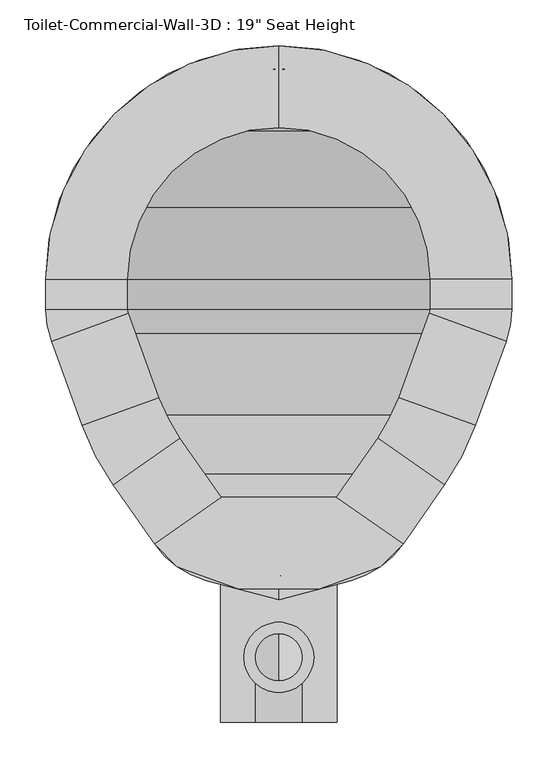
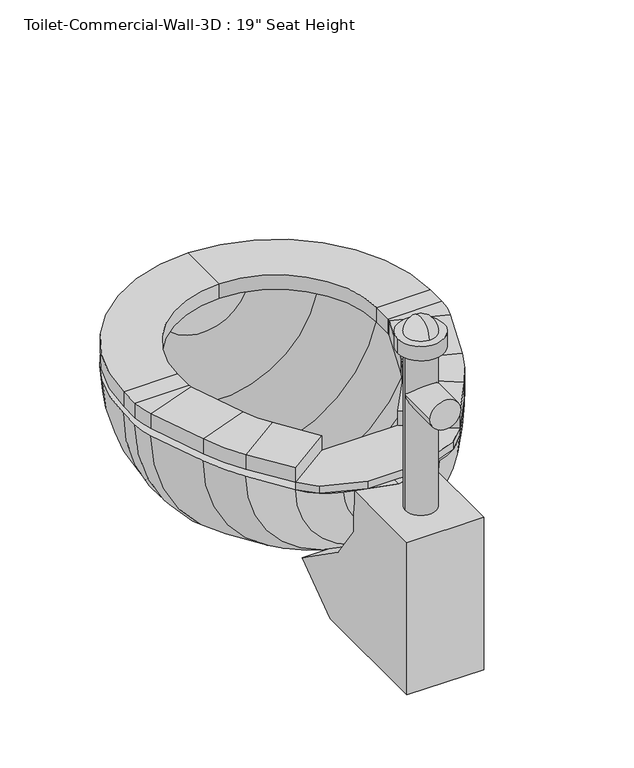
"""IFC4 building model written with IfcOpenShell, lengths in millimetres: flow terminal geometry."""

from ifc_helpers import new_model, si_unit, point, frame, frame_2d, origin, place, context, project, spatial, polyline, circle_curve, ellipse_curve, trimmed, segment, composite_curve, outline, extrude, source, transform, mapped, element, save
from ifc_brep_helpers import plane_surface, cylinder_surface, revolved_surface, advanced_brep


def flow_terminal_d9e5279d(model_context):
    return source(origin(), model_context, "Body", "SolidModel", [
        extrude(outline(polyline([(467.7541169, 341.8722495), (540.5767337, 290.8813043), (515.6262519, 265.9308226), (449.563909, 241.8860961), (360.2423986, 241.8860961), (294.1800557, 265.9308226), (269.229574, 290.8813043), (342.0521907, 341.8722495), (467.7541169, 341.8722495)])), frame((0.0, 0.0, 444.5), z_axis=(0.0, 0.0, 1.0), x_axis=(1.0, 0.0, 0.0)), (0.0, 0.0, 1.0), 12.7),
        advanced_brep(
        [(467.7541169, 341.8722495, 457.2), (540.5767337, 290.8813043, 457.2), (540.5767337, 290.8813043, 482.6), (467.7541169, 341.8722495, 482.6), (512.8583992, 406.2878403, 457.2), (585.6810159, 355.2968951, 457.2), (585.6810159, 355.2968951, 482.6), (512.8583992, 406.2878403, 482.6), (619.360053, 419.9937234, 457.2), (535.821379, 450.3993141, 457.2), (619.360053, 419.9937234, 482.6), (535.821379, 450.3993141, 482.6), (569.2372501, 542.2086654, 457.2), (652.7759241, 511.8030747, 457.2), (652.7759241, 511.8030747, 482.6), (569.2372501, 542.2086654, 482.6), (658.9031538, 546.5523212, 457.2), (570.0031538, 546.5523212, 457.2), (658.9031538, 546.5523212, 482.6), (570.0031538, 546.5523212, 482.6), (570.0031538, 579.4375, 457.2), (658.9031538, 579.4375, 457.2), (658.9031538, 579.4375, 482.6), (570.0031538, 579.4375, 482.6), (404.9031538, 833.4375, 457.2), (404.9031538, 744.5375, 457.2), (404.9031538, 833.4375, 482.6), (404.9031538, 744.5375, 482.6), (150.9031538, 579.4375, 457.2), (239.8031538, 579.4375, 457.2), (150.9031538, 579.4375, 482.6), (239.8031538, 579.4375, 482.6), (239.8031538, 546.5523212, 457.2), (150.9031538, 546.5523212, 457.2), (150.9031538, 546.5523212, 482.6), (239.8031538, 546.5523212, 482.6), (157.0303835, 511.8030747, 457.2), (240.5690575, 542.2086654, 457.2), (157.0303835, 511.8030747, 482.6), (240.5690575, 542.2086654, 482.6), (273.9849286, 450.3993141, 457.2), (190.4462546, 419.9937234, 457.2), (190.4462546, 419.9937234, 482.6), (273.9849286, 450.3993141, 482.6), (224.1252917, 355.2968951, 457.2), (296.9479084, 406.2878403, 457.2), (224.1252917, 355.2968951, 482.6), (296.9479084, 406.2878403, 482.6), (342.0521907, 341.8722495, 457.2), (342.0521907, 341.8722495, 482.6), (269.229574, 290.8813043, 482.6), (269.229574, 290.8813043, 457.2)],
        [
            (0, 1),
            (1, 2),
            (2, 3),
            (3, 0),
            (0, 4),
            (4, 5),
            (5, 1),
            (5, 6),
            (6, 2),
            (6, 7),
            (7, 3),
            (7, 4),
            (8, 5, circle_curve(frame((356.8099347, 515.5541514, 457.2), z_axis=(0.0, 0.0, -1.0), x_axis=(0.81915204428899, -0.5735764363510486, 0.0)), 279.4)),
            (4, 9, circle_curve(frame((356.8099347, 515.5541514, 457.2), z_axis=(0.0, 0.0, 1.0), x_axis=(0.81915204428899, -0.5735764363510486, 0.0)), 190.5)),
            (9, 8),
            (10, 6, circle_curve(frame((356.8099347, 515.5541514, 482.6), z_axis=(0.0, 0.0, -1.0), x_axis=(0.81915204428899, -0.5735764363510486, 0.0)), 279.4)),
            (8, 10),
            (11, 7, circle_curve(frame((356.8099347, 515.5541514, 482.6), z_axis=(0.0, 0.0, -1.0), x_axis=(0.81915204428899, -0.5735764363510486, 0.0)), 190.5)),
            (10, 11),
            (11, 9),
            (9, 12),
            (12, 13),
            (13, 8),
            (13, 14),
            (14, 10),
            (14, 15),
            (15, 11),
            (15, 12),
            (16, 13, circle_curve(frame((557.3031538, 546.5523212, 457.2), z_axis=(0.0, 0.0, -1.0), x_axis=(0.939692620785906, -0.34202014332567526, 0.0)), 101.6)),
            (12, 17, circle_curve(frame((557.3031538, 546.5523212, 457.2), z_axis=(0.0, 0.0, 1.0), x_axis=(0.939692620785906, -0.34202014332567526, 0.0)), 12.7)),
            (17, 16),
            (18, 14, circle_curve(frame((557.3031538, 546.5523212, 482.6), z_axis=(0.0, 0.0, -1.0), x_axis=(0.939692620785906, -0.34202014332567526, 0.0)), 101.6)),
            (16, 18),
            (19, 15, circle_curve(frame((557.3031538, 546.5523212, 482.6), z_axis=(0.0, 0.0, -1.0), x_axis=(0.939692620785906, -0.34202014332567526, 0.0)), 12.7)),
            (18, 19),
            (19, 17),
            (17, 20),
            (20, 21),
            (21, 16),
            (21, 22),
            (22, 18),
            (22, 23),
            (23, 19),
            (23, 20),
            (24, 21, circle_curve(frame((404.9031538, 579.4375, 457.2), z_axis=(0.0, 0.0, -1.0), x_axis=(1.0, 0.0, 0.0)), 254.0)),
            (20, 25, circle_curve(frame((404.9031538, 579.4375, 457.2), z_axis=(0.0, 0.0, 1.0), x_axis=(1.0, 0.0, 0.0)), 165.1)),
            (25, 24),
            (26, 22, circle_curve(frame((404.9031538, 579.4375, 482.6), z_axis=(0.0, 0.0, -1.0), x_axis=(1.0, 0.0, 0.0)), 254.0)),
            (24, 26),
            (27, 23, circle_curve(frame((404.9031538, 579.4375, 482.6), z_axis=(0.0, 0.0, -1.0), x_axis=(1.0, 0.0, 0.0)), 165.1)),
            (26, 27),
            (27, 25),
            (28, 24, circle_curve(frame((404.9031538, 579.4375, 457.2), z_axis=(0.0, 0.0, -1.0), x_axis=(0.0, 1.0, 0.0)), 254.0)),
            (25, 29, circle_curve(frame((404.9031538, 579.4375, 457.2), z_axis=(0.0, 0.0, 1.0), x_axis=(0.0, 1.0, 0.0)), 165.1)),
            (29, 28),
            (30, 26, circle_curve(frame((404.9031538, 579.4375, 482.6), z_axis=(0.0, 0.0, -1.0), x_axis=(0.0, 1.0, 0.0)), 254.0)),
            (28, 30),
            (31, 27, circle_curve(frame((404.9031538, 579.4375, 482.6), z_axis=(0.0, 0.0, -1.0), x_axis=(0.0, 1.0, 0.0)), 165.1)),
            (30, 31),
            (31, 29),
            (29, 32),
            (32, 33),
            (33, 28),
            (33, 34),
            (34, 30),
            (34, 35),
            (35, 31),
            (35, 32),
            (36, 33, circle_curve(frame((252.5031538, 546.5523212, 457.2), z_axis=(0.0, 0.0, -1.0), x_axis=(-1.0, 0.0, 0.0)), 101.6)),
            (32, 37, circle_curve(frame((252.5031538, 546.5523212, 457.2), z_axis=(0.0, 0.0, 1.0), x_axis=(-1.0, 0.0, 0.0)), 12.7)),
            (37, 36),
            (38, 34, circle_curve(frame((252.5031538, 546.5523212, 482.6), z_axis=(0.0, 0.0, -1.0), x_axis=(-1.0, 0.0, 0.0)), 101.6)),
            (36, 38),
            (39, 35, circle_curve(frame((252.5031538, 546.5523212, 482.6), z_axis=(0.0, 0.0, -1.0), x_axis=(-1.0, 0.0, 0.0)), 12.7)),
            (38, 39),
            (39, 37),
            (37, 40),
            (40, 41),
            (41, 36),
            (41, 42),
            (42, 38),
            (42, 43),
            (43, 39),
            (43, 40),
            (44, 41, circle_curve(frame((452.9963729, 515.5541514, 457.2), z_axis=(0.0, 0.0, -1.0), x_axis=(-0.9396926207859088, -0.34202014332566766, 0.0)), 279.4)),
            (40, 45, circle_curve(frame((452.9963729, 515.5541514, 457.2), z_axis=(0.0, 0.0, 1.0), x_axis=(-0.9396926207859088, -0.34202014332566766, 0.0)), 190.5)),
            (45, 44),
            (46, 42, circle_curve(frame((452.9963729, 515.5541514, 482.6), z_axis=(0.0, 0.0, -1.0), x_axis=(-0.9396926207859088, -0.34202014332566766, 0.0)), 279.4)),
            (44, 46),
            (47, 43, circle_curve(frame((452.9963729, 515.5541514, 482.6), z_axis=(0.0, 0.0, -1.0), x_axis=(-0.9396926207859088, -0.34202014332566766, 0.0)), 190.5)),
            (46, 47),
            (47, 45),
            (48, 49),
            (49, 50),
            (50, 51),
            (51, 48),
            (45, 48),
            (51, 44),
            (50, 46),
            (49, 47),
        ],
        [
            plane_surface(frame((540.5767337, 290.8813043, 541.2203184), z_axis=(-0.5735764363510383, -0.8191520442889972, 0.0), x_axis=(0.8191520442889972, -0.5735764363510383, 0.0))),
            plane_surface(frame((467.7541169, 341.8722495, 457.2), z_axis=(0.0, 0.0, -1.0000000000000002), x_axis=(0.5735764363510378, 0.8191520442889977, 0.0))),
            plane_surface(frame((540.5767337, 290.8813043, 457.2), z_axis=(0.8191520442889978, -0.5735764363510377, 0.0), x_axis=(0.5735764363510377, 0.8191520442889978, 0.0))),
            plane_surface(frame((540.5767337, 290.8813043, 482.6), z_axis=(0.0, 0.0, 1.0), x_axis=(0.5735764363510382, 0.8191520442889973, 0.0))),
            plane_surface(frame((467.7541169, 341.8722495, 482.6), z_axis=(-0.8191520442889977, 0.5735764363510378, 0.0), x_axis=(0.5735764363510378, 0.8191520442889977, 0.0))),
            plane_surface(frame((356.8099347, 515.5541514, 457.2), z_axis=(0.0, 0.0, -1.0), x_axis=(0.81915204428899, -0.5735764363510486, 0.0))),
            cylinder_surface(frame((356.8099347, 515.5541514, 444.5), z_axis=(0.0, 0.0, 1.0), x_axis=(0.81915204428899, -0.5735764363510486, 0.0)), 279.4),
            plane_surface(frame((356.8099347, 515.5541514, 482.6), z_axis=(0.0, 0.0, 1.0), x_axis=(0.81915204428899, -0.5735764363510486, 0.0))),
            revolved_surface(polyline([(512.8583991370526, 406.2878402751253, 482.6), (512.8583991370526, 406.2878402751253, 457.2)]), (356.8099347, 515.5541514, 444.5), (0.0, 0.0, 1.0)),
            plane_surface(frame((535.821379, 450.3993141, 457.2), z_axis=(0.0, 0.0, -1.0), x_axis=(0.3420201433256646, 0.9396926207859099, 0.0))),
            plane_surface(frame((619.360053, 419.9937234, 457.2), z_axis=(0.9396926207859099, -0.34202014332566494, 0.0), x_axis=(0.34202014332566494, 0.9396926207859099, 0.0))),
            plane_surface(frame((619.360053, 419.9937234, 482.6), z_axis=(0.0, 0.0, 1.0000000000000002), x_axis=(0.34202014332566494, 0.9396926207859099, 0.0))),
            plane_surface(frame((535.821379, 450.3993141, 482.6), z_axis=(-0.9396926207859099, 0.3420201433256646, 0.0), x_axis=(0.3420201433256646, 0.9396926207859099, 0.0))),
            plane_surface(frame((557.3031538, 546.5523212, 457.2), z_axis=(0.0, 0.0, -1.0), x_axis=(0.939692620785906, -0.34202014332567526, 0.0))),
            cylinder_surface(frame((557.3031538, 546.5523212, 444.5), z_axis=(0.0, 0.0, 1.0), x_axis=(0.939692620785906, -0.34202014332567526, 0.0)), 101.6),
            plane_surface(frame((557.3031538, 546.5523212, 482.6), z_axis=(0.0, 0.0, 1.0), x_axis=(0.939692620785906, -0.34202014332567526, 0.0))),
            revolved_surface(polyline([(569.237250083981, 542.2086653797639, 482.6), (569.237250083981, 542.2086653797639, 457.2)]), (557.3031538, 546.5523212, 444.5), (0.0, 0.0, 1.0)),
            plane_surface(frame((570.0031538, 546.5523212, 457.2), z_axis=(0.0, 0.0, -1.0), x_axis=(0.0, 1.0, 0.0))),
            plane_surface(frame((658.9031538, 546.5523212, 457.2), z_axis=(1.0, 0.0, 0.0), x_axis=(0.0, 1.0, 0.0))),
            plane_surface(frame((658.9031538, 546.5523212, 482.6), z_axis=(0.0, 0.0, 1.0), x_axis=(0.0, 1.0, 0.0))),
            plane_surface(frame((570.0031538, 546.5523212, 482.6), z_axis=(-1.0, 0.0, 0.0), x_axis=(0.0, 1.0, 0.0))),
            plane_surface(frame((404.9031538, 579.4375, 457.2), z_axis=(0.0, 0.0, -1.0), x_axis=(1.0, 0.0, 0.0))),
            cylinder_surface(frame((404.9031538, 579.4375, 444.5), z_axis=(0.0, 0.0, 1.0), x_axis=(1.0, 0.0, 0.0)), 254.0),
            plane_surface(frame((404.9031538, 579.4375, 482.6), z_axis=(0.0, 0.0, 1.0), x_axis=(1.0, 0.0, 0.0))),
            revolved_surface(polyline([(570.0031538, 579.4375, 482.6), (570.0031538, 579.4375, 457.2)]), (404.9031538, 579.4375, 444.5), (0.0, 0.0, 1.0)),
            plane_surface(frame((404.9031538, 579.4375, 457.2), z_axis=(0.0, 0.0, -1.0), x_axis=(0.0, 1.0, 0.0))),
            cylinder_surface(frame((404.9031538, 579.4375, 444.5), z_axis=(0.0, 0.0, 1.0), x_axis=(0.0, 1.0, 0.0)), 254.0),
            plane_surface(frame((404.9031538, 579.4375, 482.6), z_axis=(0.0, 0.0, 1.0), x_axis=(0.0, 1.0, 0.0))),
            revolved_surface(polyline([(404.9031538, 744.5375, 482.6), (404.9031538, 744.5375, 457.2)]), (404.9031538, 579.4375, 444.5), (0.0, 0.0, 1.0)),
            plane_surface(frame((239.8031538, 579.4375, 457.2), z_axis=(0.0, 0.0, -1.0), x_axis=(0.0, -1.0, 0.0))),
            plane_surface(frame((150.9031538, 579.4375, 457.2), z_axis=(-1.0, 0.0, 0.0), x_axis=(0.0, -1.0, 0.0))),
            plane_surface(frame((150.9031538, 579.4375, 482.6), z_axis=(0.0, 0.0, 1.0), x_axis=(0.0, -1.0, 0.0))),
            plane_surface(frame((239.8031538, 579.4375, 482.6), z_axis=(1.0, 0.0, 0.0), x_axis=(0.0, -1.0, 0.0))),
            plane_surface(frame((252.5031538, 546.5523212, 457.2), z_axis=(0.0, 0.0, -1.0), x_axis=(-1.0, 0.0, 0.0))),
            cylinder_surface(frame((252.5031538, 546.5523212, 444.5), z_axis=(0.0, 0.0, 1.0), x_axis=(-1.0, 0.0, 0.0)), 101.6),
            plane_surface(frame((252.5031538, 546.5523212, 482.6), z_axis=(0.0, 0.0, 1.0), x_axis=(-1.0, 0.0, 0.0))),
            revolved_surface(polyline([(239.80315380000002, 546.5523212, 482.6), (239.80315380000002, 546.5523212, 457.2)]), (252.5031538, 546.5523212, 444.5), (0.0, 0.0, 1.0)),
            plane_surface(frame((240.5690575, 542.2086654, 457.2), z_axis=(0.0, 0.0, -1.0000000000000002), x_axis=(0.34202014332565606, -0.9396926207859131, 0.0))),
            plane_surface(frame((157.0303835, 511.8030747, 457.2), z_axis=(-0.9396926207859132, -0.34202014332565545, 0.0), x_axis=(0.34202014332565545, -0.9396926207859132, 0.0))),
            plane_surface(frame((157.0303835, 511.8030747, 482.6), z_axis=(0.0, 0.0, 1.0), x_axis=(0.34202014332565567, -0.9396926207859132, 0.0))),
            plane_surface(frame((240.5690575, 542.2086654, 482.6), z_axis=(0.9396926207859131, 0.34202014332565606, 0.0), x_axis=(0.34202014332565606, -0.9396926207859131, 0.0))),
            plane_surface(frame((452.9963729, 515.5541514, 457.2), z_axis=(0.0, 0.0, -1.0), x_axis=(-0.9396926207859088, -0.34202014332566766, 0.0))),
            cylinder_surface(frame((452.9963729, 515.5541514, 444.5), z_axis=(0.0, 0.0, 1.0), x_axis=(-0.9396926207859088, -0.34202014332566766, 0.0)), 279.4),
            plane_surface(frame((452.9963729, 515.5541514, 482.6), z_axis=(0.0, 0.0, 1.0), x_axis=(-0.9396926207859088, -0.34202014332566766, 0.0))),
            revolved_surface(polyline([(273.98492864028435, 450.39931409646033, 482.6), (273.98492864028435, 450.39931409646033, 457.2)]), (452.9963729, 515.5541514, 444.5), (0.0, 0.0, 1.0)),
            plane_surface(frame((269.229574, 290.8813043, 347.7796816), z_axis=(0.5735764363510499, -0.8191520442889891, 0.0), x_axis=(0.8191520442889891, 0.5735764363510499, 0.0))),
            plane_surface(frame((296.9479084, 406.2878403, 457.2), z_axis=(0.0, 0.0, -1.0), x_axis=(0.5735764363510497, -0.8191520442889894, 0.0))),
            plane_surface(frame((224.1252917, 355.2968951, 457.2), z_axis=(-0.8191520442889894, -0.5735764363510496, 0.0), x_axis=(0.5735764363510496, -0.8191520442889894, 0.0))),
            plane_surface(frame((224.1252917, 355.2968951, 482.6), z_axis=(0.0, 0.0, 1.0000000000000002), x_axis=(0.5735764363510502, -0.819152044288989, 0.0))),
            plane_surface(frame((296.9479084, 406.2878403, 482.6), z_axis=(0.8191520442889894, 0.5735764363510497, 0.0), x_axis=(0.5735764363510497, -0.8191520442889894, 0.0))),
        ],
        [
            (0, [[1, 2, 3, 4]]),
            (1, [[-1, 5, 6, 7]]),
            (2, [[-2, -7, 8, 9]]),
            (3, [[-3, -9, 10, 11]]),
            (4, [[-4, -11, 12, -5]]),
            (5, [[13, -6, 14, 15]]),
            (6, [[16, -8, -13, 17]]),
            (7, [[18, -10, -16, 19]]),
            (8, [[-14, -12, -18, 20]]),
            (9, [[-15, 21, 22, 23]]),
            (10, [[-17, -23, 24, 25]]),
            (11, [[-19, -25, 26, 27]]),
            (12, [[-20, -27, 28, -21]]),
            (13, [[29, -22, 30, 31]]),
            (14, [[32, -24, -29, 33]]),
            (15, [[34, -26, -32, 35]]),
            (16, [[-30, -28, -34, 36]]),
            (17, [[-31, 37, 38, 39]]),
            (18, [[-33, -39, 40, 41]]),
            (19, [[-35, -41, 42, 43]]),
            (20, [[-36, -43, 44, -37]]),
            (21, [[45, -38, 46, 47]]),
            (22, [[48, -40, -45, 49]]),
            (23, [[50, -42, -48, 51]]),
            (24, [[-46, -44, -50, 52]]),
            (25, [[53, -47, 54, 55]]),
            (26, [[56, -49, -53, 57]]),
            (27, [[58, -51, -56, 59]]),
            (28, [[-54, -52, -58, 60]]),
            (29, [[-55, 61, 62, 63]]),
            (30, [[-57, -63, 64, 65]]),
            (31, [[-59, -65, 66, 67]]),
            (32, [[-60, -67, 68, -61]]),
            (33, [[69, -62, 70, 71]]),
            (34, [[72, -64, -69, 73]]),
            (35, [[74, -66, -72, 75]]),
            (36, [[-70, -68, -74, 76]]),
            (37, [[-71, 77, 78, 79]]),
            (38, [[-73, -79, 80, 81]]),
            (39, [[-75, -81, 82, 83]]),
            (40, [[-76, -83, 84, -77]]),
            (41, [[85, -78, 86, 87]]),
            (42, [[88, -80, -85, 89]]),
            (43, [[90, -82, -88, 91]]),
            (44, [[-86, -84, -90, 92]]),
            (45, [[93, 94, 95, 96]]),
            (46, [[-87, 97, -96, 98]]),
            (47, [[-89, -98, -95, 99]]),
            (48, [[-91, -99, -94, 100]]),
            (49, [[-92, -100, -93, -97]]),
        ],
    ),
        advanced_brep(
        [(491.7762702, 818.1194257, 444.5), (404.9031538, 833.4375, 444.5), (404.9031538, 808.0375, 444.5), (483.0889586, 794.2512331, 444.5), (566.547764, 741.0821102, 444.5), (619.7168869, 657.6233048, 444.5), (633.5031538, 579.4375, 444.5), (633.5031538, 546.5523212, 444.5), (628.9077315, 520.4903863, 444.5), (596.6355667, 431.8233422, 444.5), (562.9565296, 367.1265139, 444.5), (525.0728964, 313.0230786, 444.5), (468.1430637, 273.1603806, 444.5), (404.9031538, 256.2152978, 444.5), (404.9031538, 229.9192829, 444.5), (483.6469009, 251.0186063, 444.5), (540.5767337, 290.8813043, 444.5), (585.6810159, 355.2968951, 444.5), (619.360053, 419.9937234, 444.5), (652.7759241, 511.8030747, 444.5), (658.9031538, 546.5523212, 444.5), (658.9031538, 579.4375, 444.5), (643.5850795, 666.3106164, 444.5), (584.5082762, 759.0426224, 444.5), (318.0300374, 818.1194257, 444.5), (225.2980314, 759.0426224, 444.5), (166.2212281, 666.3106164, 444.5), (150.9031538, 579.4375, 444.5), (150.9031538, 546.5523212, 444.5), (157.0303835, 511.8030747, 444.5), (190.4462546, 419.9937234, 444.5), (224.1252917, 355.2968951, 444.5), (269.229574, 290.8813043, 444.5), (326.1594067, 251.0186063, 444.5), (341.663244, 273.1603806, 444.5), (284.7334112, 313.0230786, 444.5), (246.849778, 367.1265139, 444.5), (213.1707409, 431.8233422, 444.5), (180.8985761, 520.4903863, 444.5), (176.3031538, 546.5523212, 444.5), (176.3031538, 579.4375, 444.5), (190.0894207, 657.6233048, 444.5), (243.2585436, 741.0821102, 444.5), (326.7173491, 794.2512331, 444.5)],
        [
            (0, 1, circle_curve(frame((404.9031538, 579.4375, 444.5), z_axis=(0.0, 0.0, 1.0), x_axis=(1.0, 0.0, 0.0)), 254.0)),
            (1, 2),
            (2, 3, circle_curve(frame((404.9031538, 579.4375, 444.5), z_axis=(0.0, 0.0, -1.0), x_axis=(1.0, 0.0, 0.0)), 228.6)),
            (3, 4, circle_curve(frame((404.9031538, 579.4375, 444.5), z_axis=(0.0, 0.0, -1.0), x_axis=(1.0, 0.0, 0.0)), 228.6)),
            (4, 5, circle_curve(frame((404.9031538, 579.4375, 444.5), z_axis=(0.0, 0.0, -1.0), x_axis=(1.0, 0.0, 0.0)), 228.6)),
            (5, 6, circle_curve(frame((404.9031538, 579.4375, 444.5), z_axis=(0.0, 0.0, -1.0), x_axis=(1.0, 0.0, 0.0)), 228.6)),
            (6, 7),
            (7, 8, circle_curve(frame((557.3031538, 546.5523212, 444.5), z_axis=(0.0, 0.0, -1.0), x_axis=(1.0, 0.0, 0.0)), 76.2)),
            (8, 9),
            (9, 10, circle_curve(frame((334.0854485, 527.3837703, 444.5), z_axis=(0.0, 0.0, -1.0), x_axis=(1.0, 0.0, 0.0)), 279.4)),
            (10, 11),
            (11, 12, circle_curve(frame((441.8470487, 371.2984446, 444.5), z_axis=(0.0, 0.0, -1.0), x_axis=(1.0, 0.0, 0.0)), 101.6)),
            (12, 13),
            (13, 14),
            (14, 15),
            (15, 16, circle_curve(frame((457.350886, 349.1566703, 444.5), z_axis=(0.0, 0.0, 1.0), x_axis=(1.0, 0.0, 0.0)), 101.6)),
            (16, 17),
            (17, 18, circle_curve(frame((356.8099347, 515.5541514, 444.5), z_axis=(0.0, 0.0, 1.0), x_axis=(1.0, 0.0, 0.0)), 279.4)),
            (18, 19),
            (19, 20, circle_curve(frame((557.3031538, 546.5523212, 444.5), z_axis=(0.0, 0.0, 1.0), x_axis=(1.0, 0.0, 0.0)), 101.6)),
            (20, 21),
            (21, 22, circle_curve(frame((404.9031538, 579.4375, 444.5), z_axis=(0.0, 0.0, 1.0), x_axis=(1.0, 0.0, 0.0)), 254.0)),
            (22, 23, circle_curve(frame((404.9031538, 579.4375, 444.5), z_axis=(0.0, 0.0, 1.0), x_axis=(1.0, 0.0, 0.0)), 254.0)),
            (23, 0, circle_curve(frame((404.9031538, 579.4375, 444.5), z_axis=(0.0, 0.0, 1.0), x_axis=(1.0, 0.0, 0.0)), 254.0)),
            (24, 25, circle_curve(frame((404.9031538, 579.4375, 444.5), z_axis=(0.0, 0.0, 1.0), x_axis=(-1.0, 0.0, 0.0)), 254.0)),
            (25, 26, circle_curve(frame((404.9031538, 579.4375, 444.5), z_axis=(0.0, 0.0, 1.0), x_axis=(-1.0, 0.0, 0.0)), 254.0)),
            (26, 27, circle_curve(frame((404.9031538, 579.4375, 444.5), z_axis=(0.0, 0.0, 1.0), x_axis=(-1.0, 0.0, 0.0)), 254.0)),
            (27, 28),
            (28, 29, circle_curve(frame((252.5031538, 546.5523212, 444.5), z_axis=(0.0, 0.0, 1.0), x_axis=(-1.0, 0.0, 0.0)), 101.6)),
            (29, 30),
            (30, 31, circle_curve(frame((452.9963729, 515.5541514, 444.5), z_axis=(0.0, 0.0, 1.0), x_axis=(-1.0, 0.0, 0.0)), 279.4)),
            (31, 32),
            (32, 33, circle_curve(frame((352.4554217, 349.1566703, 444.5), z_axis=(0.0, 0.0, 1.0), x_axis=(-1.0, 0.0, 0.0)), 101.6)),
            (33, 14),
            (13, 34),
            (34, 35, circle_curve(frame((367.9592589, 371.2984446, 444.5), z_axis=(0.0, 0.0, -1.0), x_axis=(-1.0, 0.0, 0.0)), 101.6)),
            (35, 36),
            (36, 37, circle_curve(frame((475.7208592, 527.3837703, 444.5), z_axis=(0.0, 0.0, -1.0), x_axis=(-1.0, 0.0, 0.0)), 279.4)),
            (37, 38),
            (38, 39, circle_curve(frame((252.5031538, 546.5523212, 444.5), z_axis=(0.0, 0.0, -1.0), x_axis=(-1.0, 0.0, 0.0)), 76.2)),
            (39, 40),
            (40, 41, circle_curve(frame((404.9031538, 579.4375, 444.5), z_axis=(0.0, 0.0, -1.0), x_axis=(-1.0, 0.0, 0.0)), 228.6)),
            (41, 42, circle_curve(frame((404.9031538, 579.4375, 444.5), z_axis=(0.0, 0.0, -1.0), x_axis=(-1.0, 0.0, 0.0)), 228.6)),
            (42, 43, circle_curve(frame((404.9031538, 579.4375, 444.5), z_axis=(0.0, 0.0, -1.0), x_axis=(-1.0, 0.0, 0.0)), 228.6)),
            (43, 2, circle_curve(frame((404.9031538, 579.4375, 444.5), z_axis=(0.0, 0.0, -1.0), x_axis=(-1.0, 0.0, 0.0)), 228.6)),
            (1, 24, circle_curve(frame((404.9031538, 579.4375, 444.5), z_axis=(0.0, 0.0, 1.0), x_axis=(-1.0, 0.0, 0.0)), 254.0)),
            (0, 24, circle_curve(frame((404.9031538, 818.1194257, 444.5), z_axis=(0.0, 1.0, 0.0), x_axis=(1.0, 0.0, 0.0)), 86.8731164)),
            (43, 3, circle_curve(frame((404.9031538, 794.2512331, 444.5), z_axis=(0.0, -1.0, 0.0), x_axis=(1.0, 0.0, 0.0)), 78.1858048)),
            (42, 4, circle_curve(frame((404.9031538, 741.0821102, 444.5), z_axis=(0.0, -1.0, 0.0), x_axis=(1.0, 0.0, 0.0)), 161.6446102)),
            (41, 5, circle_curve(frame((404.9031538, 657.6233048, 444.5), z_axis=(0.0, -1.0, 0.0), x_axis=(1.0, 0.0, 0.0)), 214.8137331)),
            (40, 6, circle_curve(frame((404.9031538, 579.4375, 444.5), z_axis=(0.0, -1.0, 0.0), x_axis=(1.0, 0.0, 0.0)), 228.6)),
            (39, 7, circle_curve(frame((404.9031538, 546.5523212, 444.5), z_axis=(0.0, -1.0, 0.0), x_axis=(1.0, 0.0, 0.0)), 228.6)),
            (38, 8, circle_curve(frame((404.9031538, 520.4903863, 444.5), z_axis=(0.0, -1.0, 0.0), x_axis=(1.0, 0.0, 0.0)), 224.0045777)),
            (37, 9, circle_curve(frame((404.9031538, 431.8233422, 444.5), z_axis=(0.0, -1.0, 0.0), x_axis=(1.0, 0.0, 0.0)), 191.7324129)),
            (36, 10, circle_curve(frame((404.9031538, 367.1265139, 444.5), z_axis=(0.0, -1.0, 0.0), x_axis=(1.0, 0.0, 0.0)), 158.0533758)),
            (35, 11, circle_curve(frame((404.9031538, 313.0230786, 444.5), z_axis=(0.0, -1.0, 0.0), x_axis=(1.0, 0.0, 0.0)), 120.1697426)),
            (34, 12, circle_curve(frame((404.9031538, 273.1603806, 444.5), z_axis=(0.0, -1.0, 0.0), x_axis=(1.0, 0.0, 0.0)), 63.2399099)),
            (33, 15, circle_curve(frame((404.9031538, 251.0186063, 444.5), z_axis=(0.0, -1.0, 0.0), x_axis=(1.0, 0.0, 0.0)), 78.7437471)),
            (32, 16, circle_curve(frame((404.9031538, 290.8813043, 444.5), z_axis=(0.0, -1.0, 0.0), x_axis=(1.0, 0.0, 0.0)), 135.6735798)),
            (31, 17, circle_curve(frame((404.9031538, 355.2968951, 444.5), z_axis=(0.0, -1.0, 0.0), x_axis=(1.0, 0.0, 0.0)), 180.7778621)),
            (30, 18, circle_curve(frame((404.9031538, 419.9937234, 444.5), z_axis=(0.0, -1.0, 0.0), x_axis=(1.0, 0.0, 0.0)), 214.4568992)),
            (29, 19, circle_curve(frame((404.9031538, 511.8030747, 444.5), z_axis=(0.0, -1.0, 0.0), x_axis=(1.0, 0.0, 0.0)), 247.8727703)),
            (28, 20, circle_curve(frame((404.9031538, 546.5523212, 444.5), z_axis=(0.0, -1.0, 0.0), x_axis=(1.0, 0.0, 0.0)), 254.0)),
            (27, 21, circle_curve(frame((404.9031538, 579.4375, 444.5), z_axis=(0.0, -1.0, 0.0), x_axis=(1.0, 0.0, 0.0)), 254.0)),
            (26, 22, circle_curve(frame((404.9031538, 666.3106164, 444.5), z_axis=(0.0, -1.0, 0.0), x_axis=(1.0, 0.0, 0.0)), 238.6819257)),
            (25, 23, circle_curve(frame((404.9031538, 759.0426224, 444.5), z_axis=(0.0, -1.0, 0.0), x_axis=(1.0, 0.0, 0.0)), 179.6051224)),
        ],
        [
            plane_surface(frame((404.9031538, 938.6477448, 444.5), z_axis=(0.0, 0.0, 1.0), x_axis=(1.0, 0.0, 0.0))),
            plane_surface(frame((404.9031538, 938.6477448, 444.5), z_axis=(0.0, 0.0, 1.0), x_axis=(-1.0, 0.0, 0.0))),
            revolved_surface(trimmed(ellipse_curve(frame((404.9031538, 579.4375, 444.5), z_axis=(0.0, 0.0, 1.0), x_axis=(1.0, 0.0, 0.0)), 254.0, 254.0), [point((491.7762702, 818.1194257, 444.5))], [point((404.9031538, 833.4375, 444.5))], True, "CARTESIAN"), (404.9031538, 938.6477448, 444.5), (0.0, 1.0, 0.0)),
            revolved_surface(trimmed(ellipse_curve(frame((404.9031538, 579.4375, 444.5), z_axis=(0.0, 0.0, -1.0), x_axis=(1.0, 0.0, 0.0)), 228.6, 228.6), [point((404.9031538, 808.0375, 444.5))], [point((483.0889586, 794.2512331, 444.5))], True, "CARTESIAN"), (404.9031538, 938.6477448, 444.5), (0.0, 1.0, 0.0)),
            revolved_surface(trimmed(ellipse_curve(frame((404.9031538, 579.4375, 444.5), z_axis=(0.0, 0.0, -1.0), x_axis=(1.0, 0.0, 0.0)), 228.6, 228.6), [point((483.0889586, 794.2512331, 444.5))], [point((566.547764, 741.0821102, 444.5))], True, "CARTESIAN"), (404.9031538, 938.6477448, 444.5), (0.0, 1.0, 0.0)),
            revolved_surface(trimmed(ellipse_curve(frame((404.9031538, 579.4375, 444.5), z_axis=(0.0, 0.0, -1.0), x_axis=(1.0, 0.0, 0.0)), 228.6, 228.6), [point((566.547764, 741.0821102, 444.5))], [point((619.7168869, 657.6233048, 444.5))], True, "CARTESIAN"), (404.9031538, 938.6477448, 444.5), (0.0, 1.0, 0.0)),
            revolved_surface(trimmed(ellipse_curve(frame((404.9031538, 579.4375, 444.5), z_axis=(0.0, 0.0, -1.0), x_axis=(1.0, 0.0, 0.0)), 228.6, 228.6), [point((619.7168869, 657.6233048, 444.5))], [point((633.5031538, 579.4375, 444.5))], True, "CARTESIAN"), (404.9031538, 938.6477448, 444.5), (0.0, 1.0, 0.0)),
            revolved_surface(polyline([(633.5031538, 579.4375, 444.5), (633.5031538, 546.5523212, 444.5)]), (404.9031538, 938.6477448, 444.5), (0.0, 1.0, 0.0)),
            revolved_surface(trimmed(ellipse_curve(frame((557.3031538, 546.5523212, 444.5), z_axis=(0.0, 0.0, -1.0), x_axis=(1.0, 0.0, 0.0)), 76.2, 76.2), [point((633.5031538, 546.5523212, 444.5))], [point((628.9077315, 520.4903863, 444.5))], True, "CARTESIAN"), (404.9031538, 938.6477448, 444.5), (0.0, 1.0, 0.0)),
            revolved_surface(polyline([(628.9077315, 520.4903863, 444.5), (596.6355667, 431.8233422, 444.5)]), (404.9031538, 938.6477448, 444.5), (0.0, 1.0, 0.0)),
            revolved_surface(trimmed(ellipse_curve(frame((334.0854485, 527.3837703, 444.5), z_axis=(0.0, 0.0, -1.0), x_axis=(1.0, 0.0, 0.0)), 279.4, 279.4), [point((596.6355667, 431.8233422, 444.5))], [point((562.9565296, 367.1265139, 444.5))], True, "CARTESIAN"), (404.9031538, 938.6477448, 444.5), (0.0, 1.0, 0.0)),
            revolved_surface(polyline([(562.9565296, 367.1265139, 444.5), (525.0728964, 313.0230786, 444.5)]), (404.9031538, 938.6477448, 444.5), (0.0, 1.0, 0.0)),
            revolved_surface(trimmed(ellipse_curve(frame((441.8470487, 371.2984446, 444.5), z_axis=(0.0, 0.0, -1.0), x_axis=(1.0, 0.0, 0.0)), 101.6, 101.6), [point((525.0728964, 313.0230786, 444.5))], [point((468.1430637, 273.1603806, 444.5))], True, "CARTESIAN"), (404.9031538, 938.6477448, 444.5), (0.0, 1.0, 0.0)),
            revolved_surface(polyline([(468.1430637, 273.1603806, 444.5), (404.9031538, 256.2152978, 444.5)]), (404.9031538, 938.6477448, 444.5), (0.0, 1.0, 0.0)),
            revolved_surface(polyline([(404.9031538, 229.9192829, 444.5), (483.6469009, 251.0186063, 444.5)]), (404.9031538, 938.6477448, 444.5), (0.0, 1.0, 0.0)),
            revolved_surface(trimmed(ellipse_curve(frame((457.350886, 349.1566703, 444.5), z_axis=(0.0, 0.0, 1.0), x_axis=(1.0, 0.0, 0.0)), 101.6, 101.6), [point((483.6469009, 251.0186063, 444.5))], [point((540.5767337, 290.8813043, 444.5))], True, "CARTESIAN"), (404.9031538, 938.6477448, 444.5), (0.0, 1.0, 0.0)),
            revolved_surface(polyline([(540.5767337, 290.8813043, 444.5), (585.6810159, 355.2968951, 444.5)]), (404.9031538, 938.6477448, 444.5), (0.0, 1.0, 0.0)),
            revolved_surface(trimmed(ellipse_curve(frame((356.8099347, 515.5541514, 444.5), z_axis=(0.0, 0.0, 1.0), x_axis=(1.0, 0.0, 0.0)), 279.4, 279.4), [point((585.6810159, 355.2968951, 444.5))], [point((619.360053, 419.9937234, 444.5))], True, "CARTESIAN"), (404.9031538, 938.6477448, 444.5), (0.0, 1.0, 0.0)),
            revolved_surface(polyline([(619.360053, 419.9937234, 444.5), (652.7759241, 511.8030747, 444.5)]), (404.9031538, 938.6477448, 444.5), (0.0, 1.0, 0.0)),
            revolved_surface(trimmed(ellipse_curve(frame((557.3031538, 546.5523212, 444.5), z_axis=(0.0, 0.0, 1.0), x_axis=(1.0, 0.0, 0.0)), 101.6, 101.6), [point((652.7759241, 511.8030747, 444.5))], [point((658.9031538, 546.5523212, 444.5))], True, "CARTESIAN"), (404.9031538, 938.6477448, 444.5), (0.0, 1.0, 0.0)),
            cylinder_surface(frame((404.9031538, 938.6477448, 444.5), z_axis=(0.0, 1.0, 0.0), x_axis=(1.0, 0.0, 0.0)), 254.0),
            revolved_surface(trimmed(ellipse_curve(frame((404.9031538, 579.4375, 444.5), z_axis=(0.0, 0.0, 1.0), x_axis=(1.0, 0.0, 0.0)), 254.0, 254.0), [point((658.9031538, 579.4375, 444.5))], [point((643.5850795, 666.3106164, 444.5))], True, "CARTESIAN"), (404.9031538, 938.6477448, 444.5), (0.0, 1.0, 0.0)),
            revolved_surface(trimmed(ellipse_curve(frame((404.9031538, 579.4375, 444.5), z_axis=(0.0, 0.0, 1.0), x_axis=(1.0, 0.0, 0.0)), 254.0, 254.0), [point((643.5850795, 666.3106164, 444.5))], [point((584.5082762, 759.0426224, 444.5))], True, "CARTESIAN"), (404.9031538, 938.6477448, 444.5), (0.0, 1.0, 0.0)),
            revolved_surface(trimmed(ellipse_curve(frame((404.9031538, 579.4375, 444.5), z_axis=(0.0, 0.0, 1.0), x_axis=(1.0, 0.0, 0.0)), 254.0, 254.0), [point((584.5082762, 759.0426224, 444.5))], [point((491.7762702, 818.1194257, 444.5))], True, "CARTESIAN"), (404.9031538, 938.6477448, 444.5), (0.0, 1.0, 0.0)),
        ],
        [
            (0, [[1, 2, 3, 4, 5, 6, 7, 8, 9, 10, 11, 12, 13, 14, 15, 16, 17, 18, 19, 20, 21, 22, 23, 24]]),
            (1, [[25, 26, 27, 28, 29, 30, 31, 32, 33, 34, -14, 35, 36, 37, 38, 39, 40, 41, 42, 43, 44, 45, -2, 46]]),
            (2, [[-1, 47, -46]]),
            (3, [[48, -3, -45]]),
            (4, [[49, -4, -48, -44]]),
            (5, [[50, -5, -49, -43]]),
            (6, [[51, -6, -50, -42]]),
            (7, [[52, -7, -51, -41]]),
            (8, [[53, -8, -52, -40]]),
            (9, [[54, -9, -53, -39]]),
            (10, [[55, -10, -54, -38]]),
            (11, [[56, -11, -55, -37]]),
            (12, [[57, -12, -56, -36]]),
            (13, [[-13, -57, -35]]),
            (14, [[58, -15, -34]]),
            (15, [[59, -16, -58, -33]]),
            (16, [[60, -17, -59, -32]]),
            (17, [[61, -18, -60, -31]]),
            (18, [[62, -19, -61, -30]]),
            (19, [[63, -20, -62, -29]]),
            (20, [[64, -21, -63, -28]]),
            (21, [[65, -22, -64, -27]]),
            (22, [[66, -23, -65, -26]]),
            (23, [[-47, -24, -66, -25]]),
        ],
    ),
        advanced_brep(
        [(404.9031538, 141.7551912, 749.3), (404.9031538, 192.9903563, 749.3), (404.9031538, 167.3727737, 774.9175826), (404.9031538, 167.3727737, 749.3)],
        [
            (0, 1, circle_curve(frame((404.9031538, 167.3727737, 749.3), z_axis=(0.0, 0.0, 1.0), x_axis=(0.0, 1.0, 0.0)), 25.6175826)),
            (1, 2, circle_curve(frame((404.9031538, 167.3727737, 749.3), z_axis=(1.0, 0.0, 0.0), x_axis=(0.0, -1.0, 0.0)), 25.6175826)),
            (2, 0, circle_curve(frame((404.9031538, 167.3727737, 749.3), z_axis=(1.0, 0.0, 0.0), x_axis=(0.0, 1.0, 0.0)), 25.6175826)),
            (1, 0, circle_curve(frame((404.9031538, 167.3727737, 749.3), z_axis=(0.0, 0.0, 1.0), x_axis=(0.0, 1.0, 0.0)), 25.6175826)),
            (3, 1),
            (0, 3),
        ],
        [
            revolved_surface(trimmed(ellipse_curve(frame((404.9031538, 167.3727737, 749.3), z_axis=(-1.0, 0.0, 0.0), x_axis=(0.0, -1.0, 0.0)), 25.6175826, 25.6175826), [point((404.9031538, 167.3727737, 774.9175826))], [point((404.9031538, 192.9903563, 749.3))], True, "CARTESIAN"), (404.9031538, 167.3727737, 813.9277273), (0.0, 0.0, -1.0)),
            plane_surface(frame((404.9031538, 167.3727737, 749.3), z_axis=(0.0, 0.0, -1.0), x_axis=(0.0, 1.0, 0.0))),
        ],
        [
            (0, [[1, 2, 3]]),
            (0, [[4, -3, -2]]),
            (1, [[5, -1, 6]]),
            (1, [[-6, -4, -5]]),
        ],
    ),
        extrude(outline(composite_curve([segment(trimmed(circle_curve(frame_2d((404.9031538, 167.3727737)), 38.1), [point((366.8031538, 167.3727737))], [point((443.0031538, 167.3727737))], False, "CARTESIAN"), True, "CONTINUOUS"), segment(trimmed(circle_curve(frame_2d((404.9031538, 167.3727737)), 38.1), [point((443.0031538, 167.3727737))], [point((366.8031538, 167.3727737))], False, "CARTESIAN"), True, "CONTINUOUS")], self_intersect=False)), frame((0.0, 0.0, 723.9), z_axis=(0.0, 0.0, 1.0), x_axis=(1.0, 0.0, 0.0)), (0.0, 0.0, 1.0), 25.4),
        extrude(outline(composite_curve([segment(trimmed(circle_curve(frame_2d((645.8113641, 404.9031538)), 25.4), [point((645.8113641, 379.5031538))], [point((645.8113641, 430.3031538))], False, "CARTESIAN"), True, "CONTINUOUS"), segment(trimmed(circle_curve(frame_2d((645.8113641, 404.9031538)), 25.4), [point((645.8113641, 430.3031538))], [point((645.8113641, 379.5031538))], False, "CARTESIAN"), True, "CONTINUOUS")], self_intersect=False)), frame((0.0, 96.8375, 0.0), z_axis=(0.0, 1.0, 0.0), x_axis=(0.0, 0.0, 1.0)), (0.0, 0.0, 1.0), 70.64375),
        extrude(outline(composite_curve([segment(trimmed(circle_curve(frame_2d((404.9031538, 167.3727737)), 25.4), [point((379.5031538, 167.3727737))], [point((430.3031538, 167.3727737))], False, "CARTESIAN"), True, "CONTINUOUS"), segment(trimmed(circle_curve(frame_2d((404.9031538, 167.3727737)), 25.4), [point((430.3031538, 167.3727737))], [point((379.5031538, 167.3727737))], False, "CARTESIAN"), True, "CONTINUOUS")], self_intersect=False)), frame((0.0, 0.0, 444.5), z_axis=(0.0, 0.0, 1.0), x_axis=(1.0, 0.0, 0.0)), (0.0, 0.0, 1.0), 279.4),
        extrude(outline(polyline([(249.6412941, 444.5), (249.6412941, 370.896452), (293.3478185, 308.4770663), (397.3801282, 235.6328588), (316.8829017, 177.8), (96.8375, 177.8), (96.8375, 444.5), (249.6412941, 444.5)])), frame((341.4031538, 0.0, 0.0), z_axis=(1.0, 0.0, 0.0), x_axis=(0.0, 1.0, 0.0)), (0.0, 0.0, 1.0), 127.0),
    ])


if __name__ == "__main__":
    model = new_model("IFC4")
    model_context = context("Model", 3, world=origin())
    ifc_project = project(units=[si_unit("LENGTHUNIT", "METRE", prefix="MILLI")], contexts=[model_context])
    site = spatial("IfcSite", under=ifc_project)
    building = spatial("IfcBuilding", under=site)
    placement = place(None, origin())
    flow_terminal_shape = flow_terminal_d9e5279d(model_context)
    element("IfcFlowTerminal", 1, ObjectType="Toilet-Commercial-Wall-3D : 19\" Seat Height", at=placement, inside=building, context=model_context, shape_type="MappedRepresentation", body=[
        mapped(flow_terminal_shape, transform((0.0, 0.0, 0.0), x_axis=(1.0, 0.0, 0.0), y_axis=(0.0, 1.0, 0.0), z_axis=(0.0, 0.0, 1.0))),
    ])
    save(model, "model.ifc")
